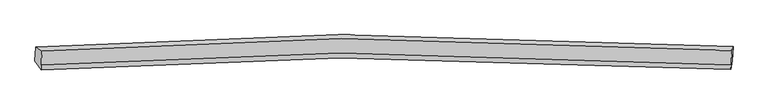
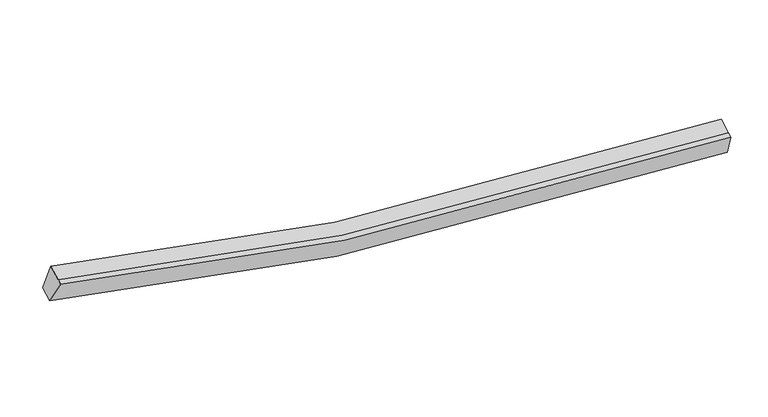
"""IFC4 building model written with IfcOpenShell, lengths in millimetres: proxy geometry."""

from ifc_helpers import new_model, si_unit, frame, origin, place, context, project, spatial, source, transform, mapped, element, save
from ifc_brep_helpers import plane_surface, spline_curve, spline_surface, advanced_brep


def generic_models_22214f7d(model_context):
    return source(origin(), model_context, "Body", "AdvancedBrep", [
        advanced_brep(
        [(-9121.2014977, -1879.052484, 4269.2081371), (-8940.0981756, -1990.4801612, 4932.9901942), (10778.1214255, -1979.2526501, 2592.3020918), (10811.5407611, -1868.6942026, 1904.9294581), (-8959.7786335, -2396.8757053, 4768.9987374), (10758.4409677, -2385.6481942, 2428.310635), (-8966.5081087, -2535.8373485, 4712.9240027), (10751.7114924, -2524.6098374, 2372.2359003), (-9140.7455835, -2282.6319861, 4106.3530284), (10791.9966753, -2272.2737047, 1742.0743494)],
        [
            (0, 1),
            (1, 2, spline_curve(3, [(-8940.0981756, -1990.4801612, 4932.9901942), (-6117.640874314, -1783.426463992, 4114.765674078), (-3267.828282754, -1666.527968426, 3505.361982185), (3287.558783829, -1605.595602016, 2592.667330266), (7010.486058304, -1718.751594, 2421.841656669), (10778.1214255, -1979.2526501, 2592.3020918)], [4, 2, 4], [0.0, 28.863609615972717, 65.76332727971757])),
            (2, 3),
            (3, 0, spline_curve(3, [(10811.5407611, -1868.6942026, 1904.9294581), (7002.963190402, -1605.603938821, 1732.966007679), (3239.553481427, -1491.220318861, 1905.607695157), (-3387.162684226, -1552.391419302, 2827.454103226), (-6268.000394912, -1670.22779941, 3442.905309366), (-9121.2014977, -1879.052484, 4269.2081371)], [4, 2, 4], [0.0, 36.89971766374485, 65.76332727971757])),
            (1, 4),
            (4, 5, spline_curve(3, [(-8959.7786335, -2396.8757053, 4768.9987374), (-6137.321332488, -2189.822008459, 3950.774217275), (-3287.508740001, -2072.923512031, 3341.370525052), (3267.878325321, -2011.991146977, 2428.675873664), (6990.805600035, -2125.147138063, 2257.850199395), (10758.4409677, -2385.6481942, 2428.310635)], [4, 2, 4], [0.0, 28.70774697514232, 65.40820725155803])),
            (5, 2),
            (4, 6),
            (6, 7, spline_curve(3, [(-8966.5081087, -2535.8373485, 4712.9240027), (-6144.050807688, -2328.783651659, 3894.699482575), (-3294.238215301, -2211.885155231, 3285.295790352), (3261.148850021, -2150.952790177, 2372.601138964), (6984.076124735, -2264.108781263, 2201.775464695), (10751.7114924, -2524.6098374, 2372.2359003)], [4, 2, 4], [0.0, 28.707746975142328, 65.40820725155804])),
            (7, 5),
            (6, 8),
            (8, 9, spline_curve(3, [(-9140.7455835, -2282.6319861, 4106.3530284), (-6287.544480712, -2073.80730151, 3280.050200666), (-3406.706770026, -1955.970921502, 2664.598994526), (3220.009395627, -1894.799821061, 1742.752586457), (6983.419104602, -2009.183440921, 1570.110898979), (10791.9966753, -2272.2737047, 1742.0743494)], [4, 2, 4], [0.0, 28.863609615972724, 65.76332727971759])),
            (9, 7),
            (8, 0),
            (3, 9),
        ],
        [
            spline_surface(3, 3, [[(-9121.2014977, -1879.052484, 4269.2081371), (-6268.000394466, -1670.227799461, 3442.905309511), (-3387.162684111, -1552.391419419, 2827.454103607), (3239.55348128, -1491.220318712, 1905.607694671), (7002.963190527, -1605.603938259, 1732.966007576), (10811.5407611, -1868.6942026, 1904.9294581)], [(-9060.833723666, -1916.195043067, 4490.46882281), (-6217.880554441, -1707.960687643, 3666.858764488), (-3347.384550162, -1590.436935668, 3053.423396298), (3255.5552486, -1529.345413261, 2134.627573394), (7005.470813075, -1643.319823659, 1962.591223761), (10800.400982591, -1905.547018421, 2134.053669343)], [(-9000.465949634, -1953.337602133, 4711.72950849), (-6167.760714416, -1745.693575823, 3890.812219434), (-3307.606416229, -1628.482451912, 3279.39268902), (3271.557015902, -1567.470507806, 2363.647452148), (7007.97843555, -1681.035709098, 2192.216439919), (10789.261204009, -1942.399834279, 2363.177880557)], [(-8940.0981756, -1990.4801612, 4932.9901942), (-6117.64087439, -1783.426464005, 4114.76567441), (-3267.82828228, -1666.527968161, 3505.361981712), (3287.558783222, -1605.595602355, 2592.667330871), (7010.486058098, -1718.751594498, 2421.841656104), (10778.1214255, -1979.2526501, 2592.3020918)]], [4, 4], [4, 2, 4], [0.0, 2.286761893051805], [0.0, 28.863609615972717, 65.76332727971757]),
            spline_surface(3, 3, [[(-8940.0981756, -1990.4801612, 4932.9901942), (-6117.64087439, -1783.426464005, 4114.76567441), (-3267.82828228, -1666.527968161, 3505.361981712), (3287.558783222, -1605.595602355, 2592.667330871), (7010.486058098, -1718.751594498, 2421.841656104), (10778.1214255, -1979.2526501, 2592.3020918)], [(-8946.658328211, -2125.945342577, 4878.326375243), (-6124.201027001, -1918.891645383, 4060.101855453), (-3274.388434891, -1801.993149538, 3450.698162755), (3280.998630611, -1741.060783733, 2538.003511914), (7003.925905487, -1854.216775876, 2367.177837147), (10771.561272889, -2114.717831477, 2537.638272843)], [(-8953.218480889, -2261.410523923, 4823.662556357), (-6130.761179679, -2054.356826728, 4005.438036567), (-3280.948587469, -1937.458330983, 3396.034343769), (3274.438478033, -1876.525965178, 2483.339692928), (6997.365752909, -1989.681957221, 2312.514018261), (10765.001120311, -2250.183012823, 2482.974453957)], [(-8959.7786335, -2396.8757053, 4768.9987374), (-6137.32133229, -2189.822008105, 3950.77421761), (-3287.50874008, -2072.923512361, 3341.370524812), (3267.878325422, -2011.991146555, 2428.675873971), (6990.805600298, -2125.147138598, 2257.850199304), (10758.4409677, -2385.6481942, 2428.310635)]], [4, 4], [4, 2, 4], [0.0, 1.4392302976358893], [0.0, 28.70774697514232, 65.40820725155803]),
            spline_surface(3, 3, [[(-8959.7786335, -2396.8757053, 4768.9987374), (-6137.32133229, -2189.822008105, 3950.77421761), (-3287.50874008, -2072.923512361, 3341.370524812), (3267.878325422, -2011.991146555, 2428.675873971), (6990.805600298, -2125.147138598, 2257.850199304), (10758.4409677, -2385.6481942, 2428.310635)], [(-8962.02179192, -2443.196253045, 4750.307159164), (-6139.56449071, -2236.14255585, 3932.082639374), (-3289.7518985, -2119.244060105, 3322.678946576), (3265.635167002, -2058.3116943, 2409.984295735), (6988.562441878, -2171.467686343, 2239.158621068), (10756.19780928, -2431.968741945, 2409.619056764)], [(-8964.26495028, -2489.516800755, 4731.615580936), (-6141.80764907, -2282.463103561, 3913.391061146), (-3291.99505696, -2165.564607816, 3303.987368348), (3263.392008542, -2104.632242011, 2391.292717507), (6986.319283418, -2217.788234054, 2220.46704284), (10753.95465082, -2478.289289655, 2390.927478536)], [(-8966.5081087, -2535.8373485, 4712.9240027), (-6144.05080749, -2328.783651305, 3894.69948291), (-3294.23821538, -2211.885155561, 3285.295790112), (3261.148850122, -2150.952789755, 2372.601139271), (6984.076124998, -2264.108781798, 2201.775464604), (10751.7114924, -2524.6098374, 2372.2359003)]], [4, 4], [4, 2, 4], [0.0, 0.4921259842519712], [0.0, 28.707746975142328, 65.40820725155804]),
            spline_surface(3, 3, [[(-8966.5081087, -2535.8373485, 4712.9240027), (-6144.05080749, -2328.783651305, 3894.69948291), (-3294.23821538, -2211.885155561, 3285.295790112), (3261.148850122, -2150.952789755, 2372.601139271), (6984.076124998, -2264.108781798, 2201.775464604), (10751.7114924, -2524.6098374, 2372.2359003)], [(-9024.587266962, -2451.435561024, 4510.733677946), (-6191.882031744, -2243.791534715, 3689.816388889), (-3331.727733557, -2126.580410903, 3078.396858376), (3247.435698574, -2065.568466797, 2162.651621503), (6983.857118222, -2179.133667989, 1991.220609374), (10765.139886681, -2440.497793171, 2162.182050013)], [(-9082.666425238, -2367.033773576, 4308.543353154), (-6239.713256012, -2158.799418152, 3484.933294832), (-3369.217251733, -2041.275666277, 2871.497926643), (3233.722547028, -1980.18414387, 1952.702103738), (6983.638111503, -2094.158554168, 1780.665754106), (10778.568281019, -2356.385748929, 1952.128199687)], [(-9140.7455835, -2282.6319861, 4106.3530284), (-6287.544480266, -2073.807301561, 3280.050200811), (-3406.706769911, -1955.970921619, 2664.598994907), (3220.00939548, -1894.799820912, 1742.752585971), (6983.419104727, -2009.183440359, 1570.110898876), (10791.9966753, -2272.2737047, 1742.0743494)]], [4, 4], [4, 2, 4], [0.0, 2.230958692715015], [0.0, 28.863609615972724, 65.76332727971759]),
            spline_surface(3, 3, [[(-9140.7455835, -2282.6319861, 4106.3530284), (-6287.544480266, -2073.807301561, 3280.050200811), (-3406.706769911, -1955.970921619, 2664.598994907), (3220.00939548, -1894.799820912, 1742.752585971), (6983.419104727, -2009.183440359, 1570.110898876), (10791.9966753, -2272.2737047, 1742.0743494)], [(-9134.230888241, -2148.105485387, 4160.638064637), (-6281.029785007, -1939.280800847, 3334.335237049), (-3400.192074652, -1821.444420905, 2718.884031144), (3226.52409074, -1760.273320198, 1797.037622208), (6989.933799986, -1874.656939646, 1624.395935113), (10798.511370559, -2137.747203987, 1796.359385637)], [(-9127.716192959, -2013.578984713, 4214.923100863), (-6274.515089725, -1804.754300174, 3388.620273274), (-3393.67737937, -1686.917920132, 2773.169067369), (3233.038786021, -1625.746819425, 1851.322658434), (6996.448495267, -1740.130438972, 1678.680971339), (10805.026065841, -2003.220703313, 1850.644421863)], [(-9121.2014977, -1879.052484, 4269.2081371), (-6268.000394466, -1670.227799461, 3442.905309511), (-3387.162684111, -1552.391419419, 2827.454103607), (3239.55348128, -1491.220318712, 1905.607694671), (7002.963190527, -1605.603938259, 1732.966007576), (10811.5407611, -1868.6942026, 1904.9294581)]], [4, 4], [4, 2, 4], [0.0, 1.42925742019507], [0.0, 29.01947241879395, 66.11844767695973]),
            plane_surface(frame((10783.3425886, -2161.2075987, 2152.8854499), z_axis=(0.9972349638030019, -0.06372193634331881, 0.03823534748741977), x_axis=(0.059242915946173556, 0.3710825480704005, -0.9267081630307211))),
            plane_surface(frame((-9042.1383414, -2172.0004949, 4505.3688406), z_axis=(-0.9655737533929296, -0.05576878244791381, 0.2540810297188032), x_axis=(-0.044863168401486846, -0.9264109548932465, -0.37383156471165335))),
        ],
        [
            (0, [[1, 2, 3, 4]]),
            (1, [[5, 6, 7, -2]]),
            (2, [[8, 9, 10, -6]]),
            (3, [[11, 12, 13, -9]]),
            (4, [[14, -4, 15, -12]]),
            (5, [[-13, -15, -3, -7, -10]]),
            (6, [[-14, -11, -8, -5, -1]]),
        ],
    ),
    ])


if __name__ == "__main__":
    model = new_model("IFC4")
    model_context = context("Model", 3, world=origin())
    ifc_project = project(units=[si_unit("LENGTHUNIT", "METRE", prefix="MILLI")], contexts=[model_context])
    site = spatial("IfcSite", under=ifc_project)
    building = spatial("IfcBuilding", under=site)
    placement = place(None, origin())
    generic_models_shape = generic_models_22214f7d(model_context)
    element("IfcBuildingElementProxy", 1, Name="Generic Models", at=placement, inside=building, context=model_context, shape_type="MappedRepresentation", body=[
        mapped(generic_models_shape, transform((0.0, 0.0, 0.0), x_axis=(1.0, 0.0, 0.0), y_axis=(0.0, 1.0, 0.0), z_axis=(0.0, 0.0, 1.0))),
    ])
    save(model, "model.ifc")
